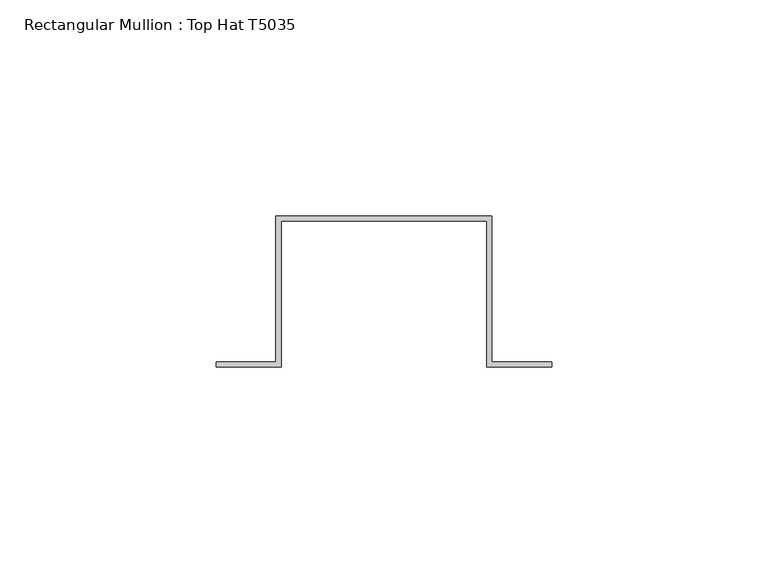
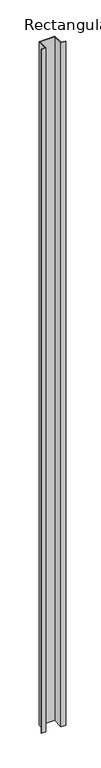
"""IFC4 building model written with IfcOpenShell, lengths in millimetres: member geometry, Rectangular Mullion : Top Hat T5035."""

from ifc_helpers import new_model, si_unit, frame, origin, place, context, project, spatial, polyline, outline, extrude, source, transform, mapped, element, save


def rectangular_mullion_top_hat_t5035_035a620c(model_context):
    return source(origin(), model_context, "Body", "SweptSolid", [
        extrude(outline(polyline([(-23.8, -35.0), (-38.8, -35.0), (-38.8, -33.8), (-25.0, -33.8), (-25.0, 0.0), (25.0, 0.0), (25.0, -33.8), (38.85, -33.8), (38.85, -35.0), (23.85, -35.0), (23.85, -1.15), (-23.8, -1.15), (-23.8, -35.0)])), frame((0.0, 0.0, -2300.0), z_axis=(0.0, 0.0, 1.0), x_axis=(1.0, 0.0, 0.0)), (0.0, 0.0, 1.0), 2300.0),
    ])


if __name__ == "__main__":
    model = new_model("IFC4")
    model_context = context("Model", 3, world=origin())
    ifc_project = project(units=[si_unit("LENGTHUNIT", "METRE", prefix="MILLI")], contexts=[model_context])
    site = spatial("IfcSite", under=ifc_project)
    building = spatial("IfcBuilding", under=site)
    placement = place(None, origin())
    rectangular_mullion_top_hat_t5035_shape = rectangular_mullion_top_hat_t5035_035a620c(model_context)
    element("IfcMember", 1, ObjectType="Rectangular Mullion : Top Hat T5035", at=placement, inside=building, context=model_context, shape_type="MappedRepresentation", body=[
        mapped(rectangular_mullion_top_hat_t5035_shape, transform((0.0, 0.0, 0.0), x_axis=(1.0, 0.0, 0.0), y_axis=(0.0, 1.0, 0.0), z_axis=(0.0, 0.0, 1.0))),
    ])
    save(model, "model.ifc")
